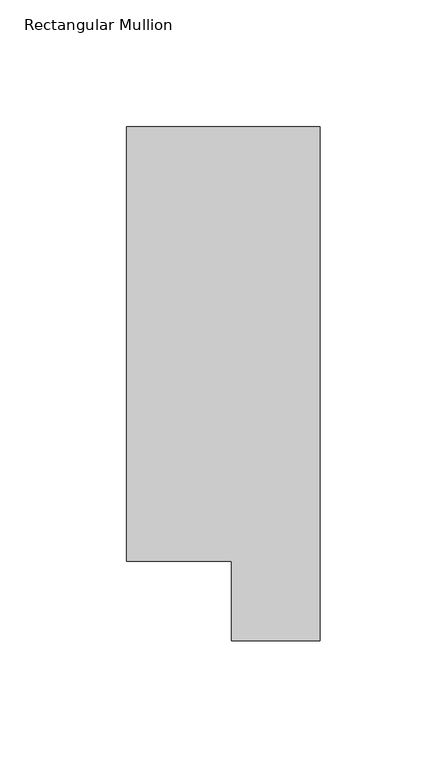
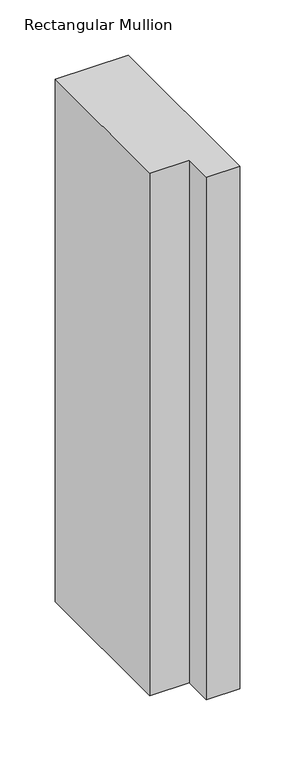
"""IFC4 building model written with IfcOpenShell, lengths in millimetres: member geometry, Rectangular Mullion."""

from ifc_helpers import new_model, si_unit, frame, origin, place, context, project, spatial, polyline, outline, extrude, source, transform, mapped, element, save


def rectangular_mullion_8057a977(model_context):
    return source(origin(), model_context, "Body", "SweptSolid", [
        extrude(outline(polyline([(0.0, 222.0301313), (0.0, 19.5667312), (-34.9123, 19.5667312), (-34.9123, 50.820278), (-76.2, 50.820278), (-76.2, 222.0301313), (0.0, 222.0301313)])), frame((0.0, 0.0, -577.8499998), z_axis=(0.0, 0.0, 1.0), x_axis=(1.0, 0.0, 0.0)), (0.0, 0.0, 1.0), 577.8499998),
    ])


if __name__ == "__main__":
    model = new_model("IFC4")
    model_context = context("Model", 3, world=origin())
    ifc_project = project(units=[si_unit("LENGTHUNIT", "METRE", prefix="MILLI")], contexts=[model_context])
    site = spatial("IfcSite", under=ifc_project)
    building = spatial("IfcBuilding", under=site)
    placement = place(None, origin())
    rectangular_mullion_shape = rectangular_mullion_8057a977(model_context)
    element("IfcMember", 1, ObjectType="Rectangular Mullion", at=placement, inside=building, context=model_context, shape_type="MappedRepresentation", body=[
        mapped(rectangular_mullion_shape, transform((0.0, 0.0, 0.0), x_axis=(1.0, 0.0, 0.0), y_axis=(0.0, 1.0, 0.0), z_axis=(0.0, 0.0, 1.0))),
    ])
    save(model, "model.ifc")
